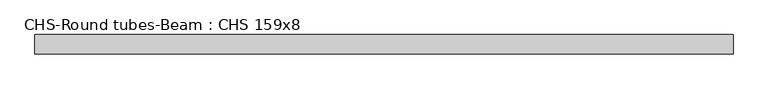
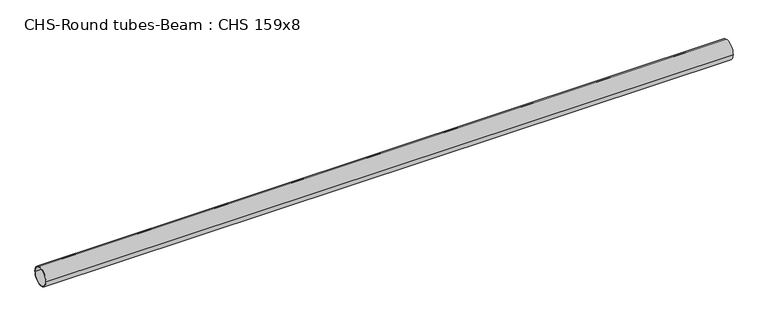
"""IFC4 building model written with IfcOpenShell, lengths in millimetres: beam geometry, CHS-Round tubes-Beam : CHS 159x8."""

from ifc_helpers import new_model, si_unit, point, frame, origin, origin_2d, place, context, project, spatial, circle_curve, trimmed, segment, composite_curve, outline, extrude, source, transform, mapped, element, save


def chs_round_tubes_beam_chs_159x8_c2636759(model_context):
    return source(origin(), model_context, "Body", "SweptSolid", [
        extrude(outline(composite_curve([segment(trimmed(circle_curve(origin_2d(), 79.5), [point((79.5, 0.0))], [point((-79.5, 0.0))], False, "CARTESIAN"), True, "CONTINUOUS"), segment(trimmed(circle_curve(origin_2d(), 79.5), [point((-79.5, 0.0))], [point((79.5, 0.0))], False, "CARTESIAN"), True, "CONTINUOUS")], self_intersect=False), holes=[composite_curve([segment(trimmed(circle_curve(origin_2d(), 71.5), [point((71.5, 0.0))], [point((-71.5, 0.0))], True, "CARTESIAN"), True, "CONTINUOUS"), segment(trimmed(circle_curve(origin_2d(), 71.5), [point((-71.5, 0.0))], [point((71.5, 0.0))], True, "CARTESIAN"), True, "CONTINUOUS")], self_intersect=False)]), frame((-2804.1997316, 0.0, 0.0), z_axis=(1.0, 0.0, 0.0), x_axis=(0.0, 1.0, 0.0)), (0.0, 0.0, 1.0), 5745.6959718),
    ])


if __name__ == "__main__":
    model = new_model("IFC4")
    model_context = context("Model", 3, world=origin())
    ifc_project = project(units=[si_unit("LENGTHUNIT", "METRE", prefix="MILLI")], contexts=[model_context])
    site = spatial("IfcSite", under=ifc_project)
    building = spatial("IfcBuilding", under=site)
    placement = place(None, origin())
    chs_round_tubes_beam_chs_159x8_shape = chs_round_tubes_beam_chs_159x8_c2636759(model_context)
    element("IfcBeam", 1, ObjectType="CHS-Round tubes-Beam : CHS 159x8", at=placement, inside=building, context=model_context, shape_type="MappedRepresentation", body=[
        mapped(chs_round_tubes_beam_chs_159x8_shape, transform((0.0, 0.0, 0.0), x_axis=(1.0, 0.0, 0.0), y_axis=(0.0, 1.0, 0.0), z_axis=(0.0, 0.0, 1.0))),
    ])
    save(model, "model.ifc")
